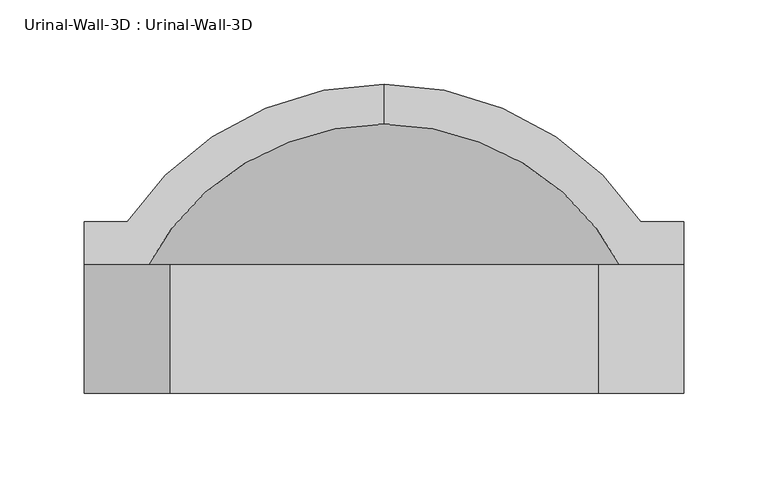
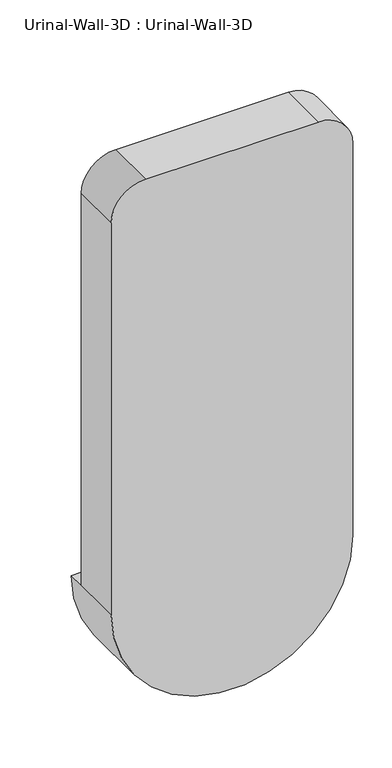
"""IFC4 building model written with IfcOpenShell, lengths in millimetres: flow terminal geometry, Urinal-Wall-3D : Urinal-Wall-3D."""

from ifc_helpers import new_model, si_unit, point, frame, origin, place, context, project, spatial, polyline, circle_curve, ellipse_curve, trimmed, source, transform, mapped, element, save
from ifc_brep_helpers import plane_surface, cylinder_surface, revolved_surface, advanced_brep


def urinal_wall_3d_urinal_wall_3d_f49d3232(model_context):
    return source(origin(), model_context, "Body", "AdvancedBrep", [
        advanced_brep(
        [(-109.0745999, 253.1620048, 609.6), (-109.0745999, 229.4447043, 609.6), (43.3254001, 116.8706063, 609.6), (43.3254001, 146.2, 609.6), (68.7254001, 146.2, 609.6), (68.7254001, 171.6, 609.6), (43.3254001, 171.6, 609.6), (-261.4745999, 171.6, 609.6), (-286.8745999, 171.6, 609.6), (-286.8745999, 146.2, 609.6), (-261.4745999, 146.2, 609.6), (-261.4745999, 116.8706063, 609.6), (-261.4745999, 82.7, 609.6), (43.3254001, 82.7, 609.6), (-286.8745999, 70.0, 609.6), (68.7254001, 70.0, 609.6), (68.7254001, 70.0, 1219.2), (17.9254001, 70.0, 1270.0), (-236.0745999, 70.0, 1270.0), (-286.8745999, 70.0, 1219.2), (43.3254001, 146.2, 1168.4), (-7.4745999, 146.2, 1219.2), (-210.6745999, 146.2, 1219.2), (-261.4745999, 146.2, 1168.4), (-286.8745999, 146.2, 1219.2), (-236.0745999, 146.2, 1270.0), (17.9254001, 146.2, 1270.0), (68.7254001, 146.2, 1219.2), (43.3254001, 82.7, 1168.4), (-7.4745999, 82.7, 1219.2), (-210.6745999, 82.7, 1219.2), (-261.4745999, 82.7, 1168.4)],
        [
            (0, 1),
            (1, 2, circle_curve(frame((-109.0745999, 70.0, 609.6), z_axis=(0.0, 0.0, -1.0), x_axis=(1.0, 0.0, 0.0)), 159.4447043)),
            (2, 3),
            (3, 4),
            (4, 5),
            (5, 6),
            (6, 0, circle_curve(frame((-109.0745999, 70.0, 609.6), z_axis=(0.0, 0.0, 1.0), x_axis=(1.0, 0.0, 0.0)), 183.1620048)),
            (0, 7, circle_curve(frame((-109.0745999, 70.0, 609.6), z_axis=(0.0, 0.0, 1.0), x_axis=(-1.0, 0.0, 0.0)), 183.1620048)),
            (7, 8),
            (8, 9),
            (9, 10),
            (10, 11),
            (11, 1, circle_curve(frame((-109.0745999, 70.0, 609.6), z_axis=(0.0, 0.0, -1.0), x_axis=(-1.0, 0.0, 0.0)), 159.4447043)),
            (11, 2, circle_curve(frame((-109.0745999, 116.8706063, 609.6), z_axis=(0.0, -1.0, 0.0), x_axis=(1.0, 0.0, 0.0)), 152.4)),
            (11, 12),
            (12, 13, circle_curve(frame((-109.0745999, 82.7, 609.6), z_axis=(0.0, -1.0, 0.0), x_axis=(1.0, 0.0, 0.0)), 152.4)),
            (13, 2),
            (14, 15, circle_curve(frame((-109.0745999, 70.0, 609.6), z_axis=(0.0, -1.0, 0.0), x_axis=(1.0, 0.0, 0.0)), 177.8)),
            (15, 16),
            (16, 17, circle_curve(frame((17.9254001, 70.0, 1219.2), z_axis=(0.0, -1.0, 0.0), x_axis=(-1.0, 0.0, 0.0)), 50.8)),
            (17, 18),
            (18, 19, circle_curve(frame((-236.0745999, 70.0, 1219.2), z_axis=(0.0, -1.0, 0.0), x_axis=(-1.0, 0.0, 0.0)), 50.8)),
            (19, 14),
            (14, 9),
            (8, 5, circle_curve(frame((-109.0745999, 171.6, 609.6), z_axis=(0.0, -1.0, 0.0), x_axis=(1.0, 0.0, 0.0)), 177.8)),
            (4, 15),
            (7, 6, circle_curve(frame((-109.0745999, 171.6, 609.6), z_axis=(0.0, -1.0, 0.0), x_axis=(1.0, 0.0, 0.0)), 152.4)),
            (3, 20),
            (20, 21, circle_curve(frame((-7.4745999, 146.2, 1168.4), z_axis=(0.0, -1.0, 0.0), x_axis=(-1.0, 0.0, 0.0)), 50.8)),
            (21, 22),
            (22, 23, circle_curve(frame((-210.6745999, 146.2, 1168.4), z_axis=(0.0, -1.0, 0.0), x_axis=(-1.0, 0.0, 0.0)), 50.8)),
            (23, 10),
            (9, 24),
            (24, 25, circle_curve(frame((-236.0745999, 146.2, 1219.2), z_axis=(0.0, 1.0, 0.0), x_axis=(-1.0, 0.0, 0.0)), 50.8)),
            (25, 26),
            (26, 27, circle_curve(frame((17.9254001, 146.2, 1219.2), z_axis=(0.0, 1.0, 0.0), x_axis=(-1.0, 0.0, 0.0)), 50.8)),
            (27, 4),
            (13, 28),
            (28, 20),
            (28, 29, circle_curve(frame((-7.4745999, 82.7, 1168.4), z_axis=(0.0, -1.0, 0.0), x_axis=(-1.0, 0.0, 0.0)), 50.8)),
            (29, 21),
            (29, 30),
            (30, 22),
            (30, 31, circle_curve(frame((-210.6745999, 82.7, 1168.4), z_axis=(0.0, -1.0, 0.0), x_axis=(-1.0, 0.0, 0.0)), 50.8)),
            (31, 23),
            (31, 12),
            (19, 24),
            (18, 25),
            (17, 26),
            (16, 27),
        ],
        [
            plane_surface(frame((-109.0745999, 359.2104173, 609.6), z_axis=(0.0, 0.0, 1.0), x_axis=(1.0, 0.0, 0.0))),
            plane_surface(frame((-109.0745999, 359.2104173, 609.6), z_axis=(0.0, 0.0, 1.0), x_axis=(-1.0, 0.0, 0.0))),
            revolved_surface(trimmed(ellipse_curve(frame((-109.0745999, 70.0, 609.6), z_axis=(0.0, 0.0, -1.0), x_axis=(1.0, 0.0, 0.0)), 159.4447043, 159.4447043), [point((-109.0745999, 229.4447043, 609.6))], [point((43.3254001, 116.8706063, 609.6))], True, "CARTESIAN"), (-109.0745999, 359.2104173, 609.6), (0.0, 1.0, 0.0)),
            revolved_surface(polyline([(43.32540010000001, 116.87060630000002, 609.6), (43.32540010000001, 82.69999999999999, 609.6)]), (-109.0745999, 359.2104173, 609.6), (0.0, 1.0, 0.0)),
            plane_surface(frame((-109.0745999, 70.0, 609.6), z_axis=(0.0, -1.0, 0.0), x_axis=(1.0, 0.0, 0.0))),
            cylinder_surface(frame((-109.0745999, 359.2104173, 609.6), z_axis=(0.0, 1.0, 0.0), x_axis=(1.0, 0.0, 0.0)), 177.8),
            plane_surface(frame((-109.0745999, 171.6, 609.6), z_axis=(0.0, 1.0, 0.0), x_axis=(1.0, 0.0, 0.0))),
            revolved_surface(trimmed(ellipse_curve(frame((-109.0745999, 70.0, 609.6), z_axis=(0.0, 0.0, 1.0), x_axis=(1.0, 0.0, 0.0)), 183.1620048, 183.1620048), [point((43.3254001, 171.6, 609.6))], [point((-109.0745999, 253.1620048, 609.6))], True, "CARTESIAN"), (-109.0745999, 359.2104173, 609.6), (0.0, 1.0, 0.0)),
            plane_surface(frame((43.3254001, 146.2, 609.6), z_axis=(0.0, 1.0, 0.0), x_axis=(0.0, 0.0, 1.0))),
            plane_surface(frame((43.3254001, 146.2, 609.6), z_axis=(-1.0, 0.0, 0.0), x_axis=(0.0, -1.0, 0.0))),
            revolved_surface(polyline([(-58.2745999, 82.7, 1168.4), (-58.2745999, 146.2, 1168.4)]), (-7.4745999, 70.0, 1168.4), (0.0, -1.0, 0.0)),
            plane_surface(frame((-7.4745999, 146.2, 1219.2), z_axis=(0.0, 0.0, -1.0), x_axis=(0.0, -1.0, 0.0))),
            revolved_surface(polyline([(-261.4745999, 82.7, 1168.4), (-261.4745999, 146.2, 1168.4)]), (-210.6745999, 70.0, 1168.4), (0.0, -1.0, 0.0)),
            plane_surface(frame((-261.4745999, 146.2, 1168.4), z_axis=(1.0, 0.0, 0.0), x_axis=(0.0, -1.0, 0.0))),
            plane_surface(frame((-286.8745999, 146.2, 609.6), z_axis=(-1.0, 0.0, 0.0), x_axis=(0.0, -1.0, 0.0))),
            cylinder_surface(frame((-236.0745999, 70.0, 1219.2), z_axis=(0.0, 1.0, 0.0), x_axis=(-1.0, 0.0, 0.0)), 50.8),
            plane_surface(frame((-236.0745999, 146.2, 1270.0), z_axis=(0.0, 0.0, 1.0), x_axis=(0.0, -1.0, 0.0))),
            cylinder_surface(frame((17.9254001, 70.0, 1219.2), z_axis=(0.0, 1.0, 0.0), x_axis=(-1.0, 0.0, 0.0)), 50.8),
            plane_surface(frame((68.7254001, 146.2, 1219.2), z_axis=(1.0, 0.0, 0.0), x_axis=(0.0, -1.0, 0.0))),
            plane_surface(frame((43.3254001, 82.7, 609.6), z_axis=(0.0, 1.0, 0.0), x_axis=(0.0, 0.0, -1.0))),
        ],
        [
            (0, [[1, 2, 3, 4, 5, 6, 7]]),
            (1, [[-1, 8, 9, 10, 11, 12, 13]]),
            (2, [[-2, -13, 14]]),
            (3, [[-14, 15, 16, 17]]),
            (4, [[18, 19, 20, 21, 22, 23]]),
            (5, [[-18, 24, -10, 25, -5, 26]]),
            (6, [[-6, -25, -9, 27]]),
            (7, [[-7, -27, -8]]),
            (8, [[28, 29, 30, 31, 32, -11, 33, 34, 35, 36, 37, -4]]),
            (9, [[-28, -3, -17, 38, 39]]),
            (10, [[-29, -39, 40, 41]]),
            (11, [[-30, -41, 42, 43]]),
            (12, [[-31, -43, 44, 45]]),
            (13, [[-32, -45, 46, -15, -12]]),
            (14, [[-33, -24, -23, 47]]),
            (15, [[-34, -47, -22, 48]]),
            (16, [[-35, -48, -21, 49]]),
            (17, [[-36, -49, -20, 50]]),
            (18, [[-37, -50, -19, -26]]),
            (19, [[-16, -46, -44, -42, -40, -38]]),
        ],
    ),
    ])


if __name__ == "__main__":
    model = new_model("IFC4")
    model_context = context("Model", 3, world=origin())
    ifc_project = project(units=[si_unit("LENGTHUNIT", "METRE", prefix="MILLI")], contexts=[model_context])
    site = spatial("IfcSite", under=ifc_project)
    building = spatial("IfcBuilding", under=site)
    placement = place(None, origin())
    urinal_wall_3d_urinal_wall_3d_shape = urinal_wall_3d_urinal_wall_3d_f49d3232(model_context)
    element("IfcFlowTerminal", 1, ObjectType="Urinal-Wall-3D : Urinal-Wall-3D", at=placement, inside=building, context=model_context, shape_type="MappedRepresentation", body=[
        mapped(urinal_wall_3d_urinal_wall_3d_shape, transform((0.0, 0.0, 0.0), x_axis=(1.0, 0.0, 0.0), y_axis=(0.0, 1.0, 0.0), z_axis=(0.0, 0.0, 1.0))),
    ])
    save(model, "model.ifc")
